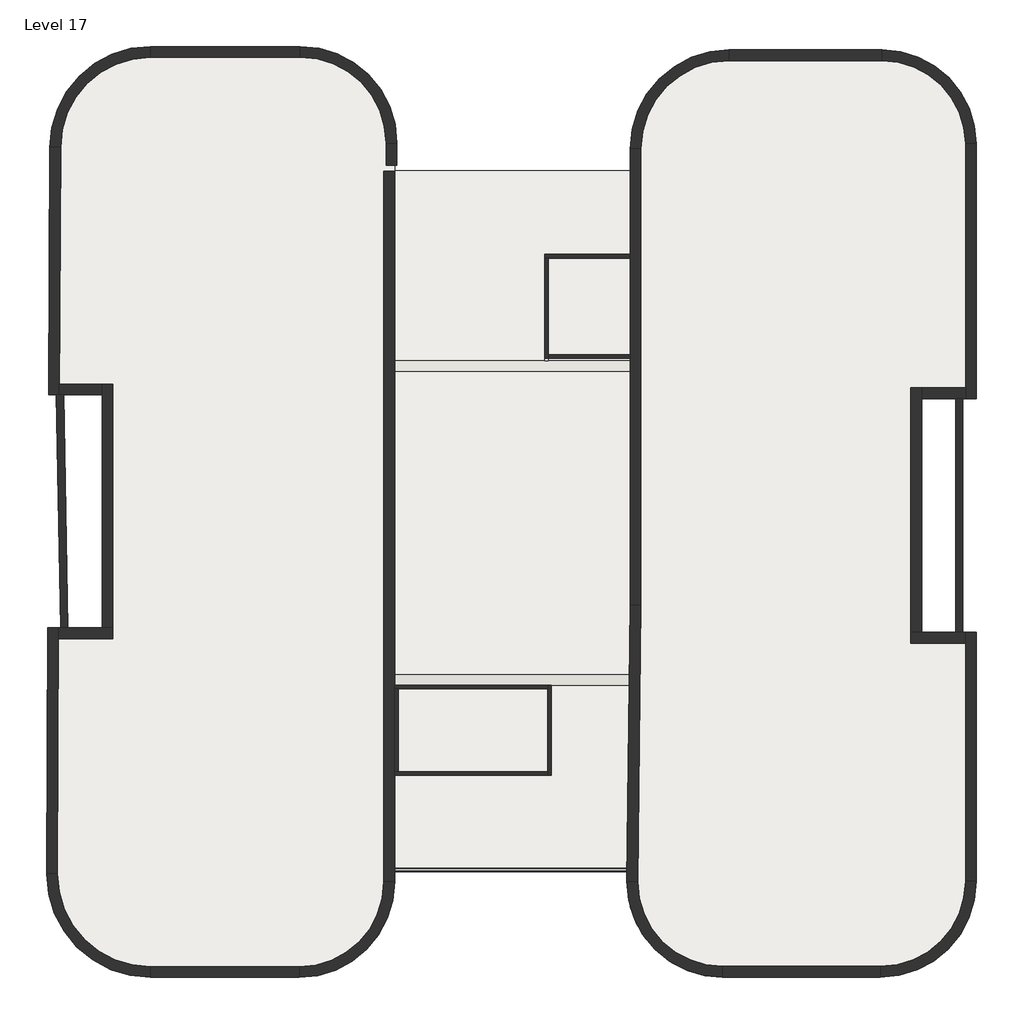
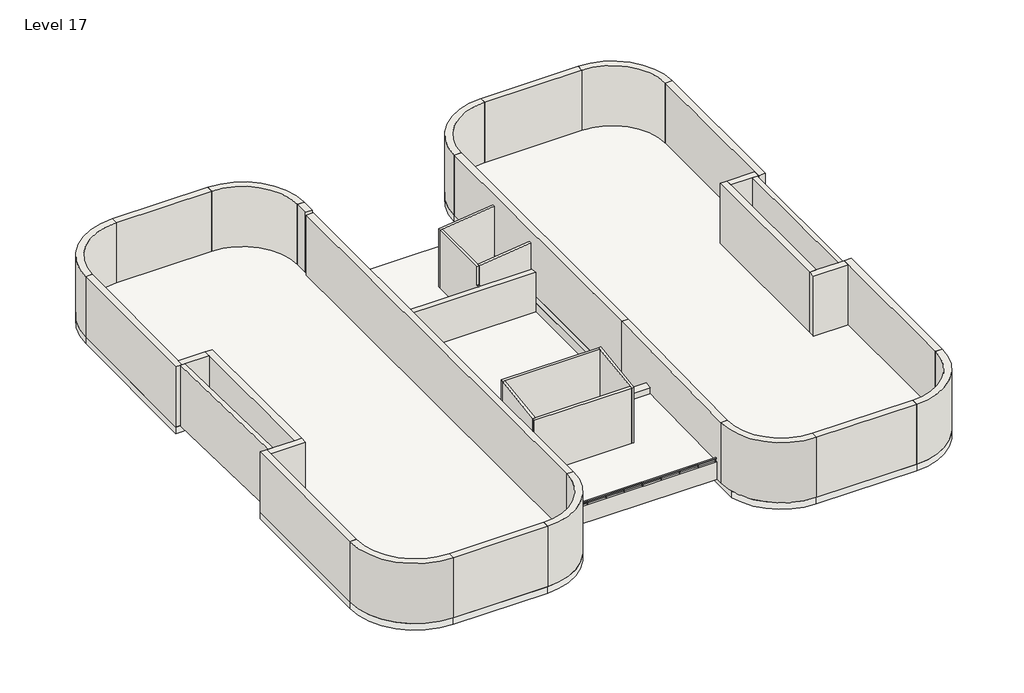
# One storey: 41 walls, 3 slabs, 1 railing.
"""IFC4 building model written with IfcOpenShell, lengths in millimetres."""

from ifc_helpers import new_model, si_unit, point, frame, frame_2d, origin, place, context, project, spatial, polyline, circle_curve, trimmed, segment, composite_curve, outline, extrude, faceted_brep, element, save

model = new_model("IFC4")

# Units and contexts
model_context = context("Model", 3, world=origin())
ifc_project = project(units=[si_unit("LENGTHUNIT", "METRE", prefix="MILLI")], contexts=[model_context])

# Site, building, storey
site = spatial("IfcSite", under=ifc_project)
building = spatial("IfcBuilding", under=site)
storey = spatial("IfcBuildingStorey", under=building, Name="Level 17", Elevation=47550.0)

# Railing
placement = place(None, origin())
element("IfcRailing", 1, at=placement, inside=storey, context=model_context, shape_type="SweptSolid", body=[
    extrude(outline(composite_curve([segment(trimmed(circle_curve(frame_2d((-9669.1475426, 48500.0)), 25.0), [point((-9694.1475426, 48500.0))], [point((-9644.1475426, 48500.0))], False, "CARTESIAN"), True, "CONTINUOUS"), segment(trimmed(circle_curve(frame_2d((-9669.1475426, 48500.0)), 25.0), [point((-9644.1475426, 48500.0))], [point((-9694.1475426, 48500.0))], False, "CARTESIAN"), True, "CONTINUOUS")], self_intersect=False)), frame((-3123.3130583, 0.0, 0.0), z_axis=(1.0, 0.0, 0.0), x_axis=(0.0, 1.0, 0.0)), (0.0, 0.0, 1.0), 6485.0),
    extrude(outline(composite_curve([segment(trimmed(circle_curve(frame_2d((2551.0619417, -9669.1475426)), 10.0), [point((2551.0619417, -9659.1475426))], [point((2551.0619417, -9679.1475426))], False, "CARTESIAN"), True, "CONTINUOUS"), segment(trimmed(circle_curve(frame_2d((2551.0619417, -9669.1475426)), 10.0), [point((2551.0619417, -9679.1475426))], [point((2551.0619417, -9659.1475426))], False, "CARTESIAN"), True, "CONTINUOUS")], self_intersect=False)), frame((0.0, 0.0, 48350.0), z_axis=(0.0, 0.0, 1.0), x_axis=(1.0, 0.0, 0.0)), (0.0, 0.0, 1.0), 125.0),
    extrude(outline(composite_curve([segment(trimmed(circle_curve(frame_2d((1740.4369417, -9669.1475426)), 10.0), [point((1740.4369417, -9659.1475426))], [point((1740.4369417, -9679.1475426))], False, "CARTESIAN"), True, "CONTINUOUS"), segment(trimmed(circle_curve(frame_2d((1740.4369417, -9669.1475426)), 10.0), [point((1740.4369417, -9679.1475426))], [point((1740.4369417, -9659.1475426))], False, "CARTESIAN"), True, "CONTINUOUS")], self_intersect=False)), frame((0.0, 0.0, 48350.0), z_axis=(0.0, 0.0, 1.0), x_axis=(1.0, 0.0, 0.0)), (0.0, 0.0, 1.0), 125.0),
    extrude(outline(composite_curve([segment(trimmed(circle_curve(frame_2d((929.8119417, -9669.1475426)), 10.0), [point((929.8119417, -9659.1475426))], [point((929.8119417, -9679.1475426))], False, "CARTESIAN"), True, "CONTINUOUS"), segment(trimmed(circle_curve(frame_2d((929.8119417, -9669.1475426)), 10.0), [point((929.8119417, -9679.1475426))], [point((929.8119417, -9659.1475426))], False, "CARTESIAN"), True, "CONTINUOUS")], self_intersect=False)), frame((0.0, 0.0, 48350.0), z_axis=(0.0, 0.0, 1.0), x_axis=(1.0, 0.0, 0.0)), (0.0, 0.0, 1.0), 125.0),
    extrude(outline(composite_curve([segment(trimmed(circle_curve(frame_2d((119.1869417, -9669.1475426)), 10.0), [point((119.1869417, -9659.1475426))], [point((119.1869417, -9679.1475426))], False, "CARTESIAN"), True, "CONTINUOUS"), segment(trimmed(circle_curve(frame_2d((119.1869417, -9669.1475426)), 10.0), [point((119.1869417, -9679.1475426))], [point((119.1869417, -9659.1475426))], False, "CARTESIAN"), True, "CONTINUOUS")], self_intersect=False)), frame((0.0, 0.0, 48350.0), z_axis=(0.0, 0.0, 1.0), x_axis=(1.0, 0.0, 0.0)), (0.0, 0.0, 1.0), 125.0),
    extrude(outline(composite_curve([segment(trimmed(circle_curve(frame_2d((-691.4380583, -9669.1475426)), 10.0), [point((-691.4380583, -9659.1475426))], [point((-691.4380583, -9679.1475426))], False, "CARTESIAN"), True, "CONTINUOUS"), segment(trimmed(circle_curve(frame_2d((-691.4380583, -9669.1475426)), 10.0), [point((-691.4380583, -9679.1475426))], [point((-691.4380583, -9659.1475426))], False, "CARTESIAN"), True, "CONTINUOUS")], self_intersect=False)), frame((0.0, 0.0, 48350.0), z_axis=(0.0, 0.0, 1.0), x_axis=(1.0, 0.0, 0.0)), (0.0, 0.0, 1.0), 125.0),
    extrude(outline(composite_curve([segment(trimmed(circle_curve(frame_2d((-1502.0630583, -9669.1475426)), 10.0), [point((-1502.0630583, -9659.1475426))], [point((-1502.0630583, -9679.1475426))], False, "CARTESIAN"), True, "CONTINUOUS"), segment(trimmed(circle_curve(frame_2d((-1502.0630583, -9669.1475426)), 10.0), [point((-1502.0630583, -9679.1475426))], [point((-1502.0630583, -9659.1475426))], False, "CARTESIAN"), True, "CONTINUOUS")], self_intersect=False)), frame((0.0, 0.0, 48350.0), z_axis=(0.0, 0.0, 1.0), x_axis=(1.0, 0.0, 0.0)), (0.0, 0.0, 1.0), 125.0),
    extrude(outline(composite_curve([segment(trimmed(circle_curve(frame_2d((-2312.6880583, -9669.1475426)), 10.0), [point((-2312.6880583, -9659.1475426))], [point((-2312.6880583, -9679.1475426))], False, "CARTESIAN"), True, "CONTINUOUS"), segment(trimmed(circle_curve(frame_2d((-2312.6880583, -9669.1475426)), 10.0), [point((-2312.6880583, -9679.1475426))], [point((-2312.6880583, -9659.1475426))], False, "CARTESIAN"), True, "CONTINUOUS")], self_intersect=False)), frame((0.0, 0.0, 48350.0), z_axis=(0.0, 0.0, 1.0), x_axis=(1.0, 0.0, 0.0)), (0.0, 0.0, 1.0), 125.0),
    extrude(outline(composite_curve([segment(trimmed(circle_curve(frame_2d((3321.6869417, -9669.1475426)), 15.0), [point((3321.6869417, -9654.1475426))], [point((3321.6869417, -9684.1475426))], False, "CARTESIAN"), True, "CONTINUOUS"), segment(trimmed(circle_curve(frame_2d((3321.6869417, -9669.1475426)), 15.0), [point((3321.6869417, -9684.1475426))], [point((3321.6869417, -9654.1475426))], False, "CARTESIAN"), True, "CONTINUOUS")], self_intersect=False)), frame((0.0, 0.0, 48350.0), z_axis=(0.0, 0.0, 1.0), x_axis=(1.0, 0.0, 0.0)), (0.0, 0.0, 1.0), 125.0),
    extrude(outline(composite_curve([segment(trimmed(circle_curve(frame_2d((-3083.3130583, -9669.1475426)), 15.0), [point((-3083.3130583, -9654.1475426))], [point((-3083.3130583, -9684.1475426))], False, "CARTESIAN"), True, "CONTINUOUS"), segment(trimmed(circle_curve(frame_2d((-3083.3130583, -9669.1475426)), 15.0), [point((-3083.3130583, -9684.1475426))], [point((-3083.3130583, -9654.1475426))], False, "CARTESIAN"), True, "CONTINUOUS")], self_intersect=False)), frame((0.0, 0.0, 48350.0), z_axis=(0.0, 0.0, 1.0), x_axis=(1.0, 0.0, 0.0)), (0.0, 0.0, 1.0), 125.0),
])

# Slabs
element("IfcSlab", 2, ObjectType="Por defecto - 30 cm", at=placement, inside=storey, context=model_context, shape_type="SweptSolid", body=[
    extrude(outline(composite_curve([segment(polyline([(6211.8385929, 13223.9921771), (10492.8385929, 13223.9921771)]), True, "CONTINUOUS"), segment(trimmed(circle_curve(frame_2d((10492.8385929, 10597.9921771)), 2626.0), [point((10492.8385929, 13223.9921771))], [point((13118.8385929, 10597.9921771))], False, "CARTESIAN"), True, "CONTINUOUS"), segment(polyline([(13118.8385929, 10597.9921771), (13118.8385929, 3484.5921771), (11591.8385929, 3484.5921771), (11591.8385929, -3037.4078229), (13118.8385929, -3037.4078229), (13118.8385929, -9991.5816272)]), True, "CONTINUOUS"), segment(trimmed(circle_curve(frame_2d((10443.8385929, -9991.5816272)), 2675.0), [point((13118.8385929, -9991.5816272))], [point((10443.8385929, -12666.5816272))], False, "CARTESIAN"), True, "CONTINUOUS"), segment(polyline([(10443.8385929, -12666.5816272), (6032.6869417, -12666.5816272)]), True, "CONTINUOUS"), segment(trimmed(circle_curve(frame_2d((6032.6869417, -9995.5816272)), 2671.0), [point((6032.6869417, -12666.5816272))], [point((3455.8385929, -10698.4995365))], False, "CARTESIAN"), True, "CONTINUOUS"), segment(polyline([(3455.8385929, -10698.4995365), (3455.8385929, 10467.9921771)]), True, "CONTINUOUS"), segment(trimmed(circle_curve(frame_2d((6211.8385929, 10467.9921771)), 2756.0), [point((3455.8385929, 10467.9921771))], [point((6211.8385929, 13223.9921771))], False, "CARTESIAN"), True, "CONTINUOUS")], self_intersect=False)), frame((0.0, 0.0, 47250.0), z_axis=(0.0, 0.0, 1.0), x_axis=(1.0, 0.0, 0.0)), (0.0, 0.0, 1.0), 300.0),
    extrude(outline(composite_curve([segment(trimmed(circle_curve(frame_2d((-5790.3130583, -10007.8480376)), 2667.0), [point((-3123.3130583, -10007.8480376))], [point((-5790.3130583, -12674.8480376))], False, "CARTESIAN"), True, "CONTINUOUS"), segment(polyline([(-5790.3130583, -12674.8480376), (-9947.9423327, -12674.8480376)]), True, "CONTINUOUS"), segment(trimmed(circle_curve(frame_2d((-9947.9423327, -9780.8480376)), 2894.0), [point((-9947.9423327, -12674.8480376))], [point((-12841.9423113, -9781.1996622))], False, "CARTESIAN"), True, "CONTINUOUS"), segment(polyline([(-12841.9423113, -9781.1996622), (-12814.1941182, -2911.6269482), (-11291.9914485, -2911.6269482), (-11291.9914485, 3593.3730518), (-12781.7223076, 3593.3730518), (-12748.9661667, 10510.0816687)]), True, "CONTINUOUS"), segment(trimmed(circle_curve(frame_2d((-9939.9661667, 10510.0816687)), 2809.0), [point((-12748.9661667, 10510.0816687))], [point((-9939.9661667, 13319.0816687))], False, "CARTESIAN"), True, "CONTINUOUS"), segment(polyline([(-9939.9661667, 13319.0816687), (-5754.1614071, 13319.0816687)]), True, "CONTINUOUS"), segment(trimmed(circle_curve(frame_2d((-5754.1614071, 10624.0816687)), 2695.0), [point((-5754.1614071, 13319.0816687))], [point((-3123.3130583, 11208.6002446))], False, "CARTESIAN"), True, "CONTINUOUS"), segment(polyline([(-3123.3130583, 11208.6002446), (-3123.3130583, -9719.1475426), (-3123.3130583, -10007.8480376)]), True, "CONTINUOUS")], self_intersect=False)), frame((0.0, 0.0, 47250.0), z_axis=(0.0, 0.0, 1.0), x_axis=(1.0, 0.0, 0.0)), (0.0, 0.0, 1.0), 300.0),
])
element("IfcSlab", 3, ObjectType="Por defecto - 30 cm", at=placement, inside=storey, context=model_context, shape_type="SweptSolid", body=[
    extrude(outline(polyline([(3455.8385929, 9845.2896795), (3455.8385929, -4515.8480376), (-3123.3130583, -4515.8480376), (-3123.3130583, 9845.2896795), (3455.8385929, 9845.2896795)])), frame((0.0, 0.0, 46535.8855547), z_axis=(0.0, 0.0, 1.0), x_axis=(1.0, 0.0, 0.0)), (0.0, 0.0, 1.0), 300.0),
])
element("IfcSlab", 4, ObjectType="Por defecto - 30 cm", at=placement, inside=storey, context=model_context, shape_type="SweptSolid", body=[
    extrude(outline(polyline([(3428.5581066, -4515.8480376), (3366.2807026, -9619.1475426), (-3123.3130583, -9619.1475426), (-3123.3130583, -4515.8480376), (3428.5581066, -4515.8480376)])), frame((0.0, 0.0, 48050.0), z_axis=(0.0, 0.0, 1.0), x_axis=(1.0, 0.0, 0.0)), (0.0, 0.0, 1.0), 300.0),
])

# Walls
element("IfcWall", 5, ObjectType="Por defecto - 10 cm", at=placement, inside=storey, context=model_context, shape_type="SweptSolid", body=[
    extrude(outline(polyline([(3365.0603665, -9719.1475426), (-3123.3130583, -9719.1475426), (-3123.3130583, -9619.1475426), (3366.2807026, -9619.1475426), (3365.0603665, -9719.1475426)])), frame((0.0, 0.0, 47550.0), z_axis=(0.0, 0.0, 1.0), x_axis=(1.0, 0.0, 0.0)), (0.0, 0.0, 1.0), 800.0),
])
element("IfcWall", 6, ObjectType="Por defecto - 10 cm", at=placement, inside=storey, context=model_context, shape_type="Brep", body=[
    faceted_brep([(-3123.3130583, -4615.8480376, 46835.8855547), (-3123.3130583, -4515.8480376, 46835.8855547), (-3123.3130583, 9861.3377428, 46835.8855547), (-3123.3130583, 9861.3377428, 47250.0), (-3123.3130583, -4615.8480376, 47250.0), (-3223.3130583, -4615.8480376, 46835.8855547), (-3223.3130583, -4615.8480376, 47250.0), (-3223.3130583, 9861.3377428, 47250.0), (-3223.3130583, 9861.3377428, 46835.8855547)], [[[0, 1, 2, 3, 4]], [[5, 6, 7, 8]], [[2, 1, 0, 5, 8]], [[4, 3, 7, 6]], [[3, 2, 8, 7]], [[0, 4, 6, 5]]]),
])
element("IfcWall", 7, ObjectType="Por defecto - 10 cm", at=placement, inside=storey, context=model_context, shape_type="Brep", body=[
    faceted_brep([(3555.8385929, -4615.8480376, 46835.8855547), (3555.8385929, 9861.3377428, 46835.8855547), (3555.8385929, 9861.3377428, 47250.0), (3555.8385929, -4615.8480376, 47250.0), (3455.8385929, -4615.8480376, 46835.8855547), (3455.8385929, -4615.8480376, 47250.0), (3455.8385929, 9861.3377428, 47250.0), (3455.8385929, 9861.3377428, 46835.8855547), (3455.8385929, 4713.1519624, 46835.8855547), (3455.8385929, 4613.1519624, 46835.8855547), (3455.8385929, -4515.8480376, 46835.8855547)], [[[0, 1, 2, 3]], [[4, 5, 6, 7, 8, 9, 10]], [[1, 0, 4, 10, 9, 8, 7]], [[3, 2, 6, 5]], [[2, 1, 7, 6]], [[0, 3, 5, 4]]]),
])
element("IfcWall", 8, ObjectType="Por defecto - 10 cm", at=placement, inside=storey, context=model_context, shape_type="Brep", body=[
    faceted_brep([(3455.8385929, -4515.8480376, 46835.8855547), (-3123.3130583, -4515.8480376, 46835.8855547), (-3123.3130583, -4515.8480376, 48050.0), (3428.5581066, -4515.8480376, 48050.0), (3428.5581066, -4515.8480376, 47550.0), (3455.8385929, -4515.8480376, 47550.0), (3455.8385929, -4615.8480376, 46835.8855547), (3455.8385929, -4615.8480376, 47250.0), (3455.8385929, -4615.8480376, 47550.0), (3427.3377705, -4615.8480376, 47550.0), (3427.3377705, -4615.8480376, 48050.0), (-3123.3130583, -4615.8480376, 48050.0), (-3123.3130583, -4615.8480376, 47250.0), (-3123.3130583, -4615.8480376, 46835.8855547)], [[[0, 1, 2, 3, 4, 5]], [[6, 7, 8, 9, 10, 11, 12, 13]], [[1, 0, 6, 13]], [[3, 2, 11, 10]], [[2, 1, 13, 12, 11]], [[4, 9, 8, 5]], [[0, 5, 8, 7, 6]], [[4, 3, 10, 9]]]),
])
element("IfcWall", 9, ObjectType="Por defecto - 10 cm", at=placement, inside=storey, context=model_context, shape_type="Brep", body=[
    faceted_brep([(3455.8385929, 7514.3377428, 46835.8855547), (1065.8385929, 7514.3377428, 46835.8855547), (1065.8385929, 7514.3377428, 49543.6599638), (3455.8385929, 7514.3377428, 49826.5839543), (3455.8385929, 7414.3377428, 46835.8855547), (3455.8385929, 7414.3377428, 49826.5839543), (1165.8385929, 7414.3377428, 49555.4977877), (1065.8385929, 7414.3377428, 49543.6599638), (1065.8385929, 7414.3377428, 46835.8855547), (1165.8385929, 7414.3377428, 46835.8855547)], [[[0, 1, 2, 3]], [[4, 5, 6, 7, 8, 9]], [[1, 0, 4, 9, 8]], [[0, 3, 5, 4]], [[2, 1, 8, 7]], [[3, 2, 7, 6, 5]]]),
])
element("IfcWall", 10, ObjectType="Por defecto - 10 cm", at=placement, inside=storey, context=model_context, shape_type="Brep", body=[
    faceted_brep([(1065.8385929, 7414.3377428, 46835.8855547), (1065.8385929, 4546.1519624, 46835.8855547), (1065.8385929, 4546.1519624, 48693.698812), (1065.8385929, 4613.1519624, 48693.698812), (1065.8385929, 4613.1519624, 49543.6599638), (1065.8385929, 7414.3377428, 49543.6599638), (1165.8385929, 7414.3377428, 46835.8855547), (1165.8385929, 7414.3377428, 49555.4977877), (1165.8385929, 4713.1519624, 49555.4977877), (1165.8385929, 4613.1519624, 49555.4977877), (1165.8385929, 4613.1519624, 48693.698812), (1165.8385929, 4546.1519624, 48693.698812), (1165.8385929, 4546.1519624, 46835.8855547), (1165.8385929, 4613.1519624, 46835.8855547), (1165.8385929, 4713.1519624, 46835.8855547)], [[[0, 1, 2, 3, 4, 5]], [[6, 7, 8, 9, 10, 11, 12, 13, 14]], [[1, 0, 6, 14, 13, 12]], [[0, 5, 7, 6]], [[5, 4, 9, 8, 7]], [[10, 3, 2, 11]], [[2, 1, 12, 11]], [[4, 3, 10, 9]]]),
])
element("IfcWall", 11, ObjectType="Por defecto - 10 cm", at=placement, inside=storey, context=model_context, shape_type="Brep", body=[
    faceted_brep([(1165.8385929, 4613.1519624, 46835.8855547), (3455.8385929, 4613.1519624, 46835.8855547), (3455.8385929, 4613.1519624, 49826.5839543), (1165.8385929, 4613.1519624, 49555.4977877), (1165.8385929, 4613.1519624, 48693.698812), (1165.8385929, 4713.1519624, 46835.8855547), (1165.8385929, 4713.1519624, 49555.4977877), (3455.8385929, 4713.1519624, 49826.5839543), (3455.8385929, 4713.1519624, 46835.8855547)], [[[0, 1, 2, 3, 4]], [[5, 6, 7, 8]], [[1, 0, 5, 8]], [[1, 8, 7, 2]], [[0, 4, 3, 6, 5]], [[3, 2, 7, 6]]]),
])
element("IfcWall", 12, ObjectType="Por defecto - 10 cm", at=placement, inside=storey, context=model_context, shape_type="Brep", body=[
    faceted_brep([(1157.8385929, -4515.8480376, 48350.0), (1157.8385929, -4615.8480376, 48350.0), (1157.8385929, -6926.8480376, 48350.0), (1157.8385929, -7026.8480376, 48350.0), (1157.8385929, -7026.8480376, 50926.2438865), (1157.8385929, -6926.8480376, 50940.4724671), (1157.8385929, -4615.8480376, 51269.2949656), (1157.8385929, -4515.8480376, 51283.5235463), (1257.8385929, -4515.8480376, 48350.0), (1257.8385929, -4515.8480376, 51283.5235463), (1257.8385929, -7026.8480376, 50926.2438865), (1257.8385929, -7026.8480376, 48350.0)], [[[0, 1, 2, 3, 4, 5, 6, 7]], [[8, 9, 10, 11]], [[3, 2, 1, 0, 8, 11]], [[0, 7, 9, 8]], [[4, 3, 11, 10]], [[7, 6, 5, 4, 10, 9]]]),
])
element("IfcWall", 13, ObjectType="Por defecto - 10 cm", at=placement, inside=storey, context=model_context, shape_type="Brep", body=[
    faceted_brep([(1157.8385929, -6926.8480376, 48350.0), (-3023.3130583, -6926.8480376, 48350.0), (-3123.3130583, -6926.8480376, 48350.0), (-3123.3130583, -6926.8480376, 50940.4724671), (-3023.3130583, -6926.8480376, 50940.4724671), (1157.8385929, -6926.8480376, 50940.4724671), (1157.8385929, -7026.8480376, 48350.0), (1157.8385929, -7026.8480376, 50926.2438865), (-3123.3130583, -7026.8480376, 50926.2438865), (-3123.3130583, -7026.8480376, 48350.0)], [[[0, 1, 2, 3, 4, 5]], [[6, 7, 8, 9]], [[2, 1, 0, 6, 9]], [[0, 5, 7, 6]], [[3, 2, 9, 8]], [[5, 4, 3, 8, 7]]]),
])
element("IfcWall", 14, ObjectType="Por defecto - 10 cm", at=placement, inside=storey, context=model_context, shape_type="Brep", body=[
    faceted_brep([(1157.8385929, -4515.8480376, 48350.0), (-3123.3130583, -4515.8480376, 48350.0), (-3123.3130583, -4515.8480376, 51283.5235463), (1157.8385929, -4515.8480376, 51283.5235463), (1157.8385929, -4615.8480376, 48350.0), (1157.8385929, -4615.8480376, 51269.2949656), (-3023.3130583, -4615.8480376, 51269.2949656), (-3123.3130583, -4615.8480376, 51269.2949656), (-3123.3130583, -4615.8480376, 48350.0), (-3023.3130583, -4615.8480376, 48350.0)], [[[0, 1, 2, 3]], [[4, 5, 6, 7, 8, 9]], [[1, 0, 4, 9, 8]], [[2, 1, 8, 7]], [[0, 3, 5, 4]], [[3, 2, 7, 6, 5]]]),
])
element("IfcWall", 15, ObjectType="Por defecto - 10 cm", at=placement, inside=storey, context=model_context, shape_type="SweptSolid", body=[
    extrude(outline(polyline([(-6926.8480376, 48350.0), (-6926.8480376, 50940.4724671), (-4615.8480376, 51269.2949656), (-4615.8480376, 48350.0), (-6926.8480376, 48350.0)])), frame((-3123.3130583, 0.0, 0.0), z_axis=(1.0, 0.0, 0.0), x_axis=(0.0, 1.0, 0.0)), (0.0, 0.0, 1.0), 100.0),
])
element("IfcWall", 16, ObjectType="Por defecto - 20 cm", at=placement, inside=storey, context=model_context, shape_type="Brep", body=[
    faceted_brep([(-12250.9609829, -2911.6269482, 47550.0), (-12364.5061803, 3593.3730518, 47550.0), (-12364.5061803, 3593.3730518, 50350.0), (-12250.9609829, -2911.6269482, 50350.0), (-12450.9914485, -2911.6269482, 47550.0), (-12450.9914485, -2911.6269482, 50350.0), (-12564.5366459, 3593.3730518, 50350.0), (-12564.5366459, 3593.3730518, 47550.0), (-12481.7189434, 3593.3730518, 47550.0), (-12481.7189434, 3593.3730518, 50350.0)], [[[0, 1, 2, 3]], [[4, 5, 6, 7]], [[1, 0, 4, 7, 8]], [[3, 2, 9, 6, 5]], [[0, 3, 5, 4]], [[2, 1, 8, 7, 6, 9]]]),
])
element("IfcWall", 17, ObjectType="Por defecto - 20 cm", at=placement, inside=storey, context=model_context, shape_type="SweptSolid", body=[
    extrude(outline(polyline([(12746.8385929, 3484.5921771), (12746.8385929, -3037.4078229), (12546.8385929, -3037.4078229), (12546.8385929, 3484.5921771), (12746.8385929, 3484.5921771)])), frame((0.0, 0.0, 47550.0), z_axis=(0.0, 0.0, 1.0), x_axis=(1.0, 0.0, 0.0)), (0.0, 0.0, 1.0), 2800.0),
])
element("IfcWall", 18, ObjectType="Por defecto - 30 cm", at=placement, inside=storey, context=model_context, shape_type="Brep", body=[
    faceted_brep([(-9939.9661667, 13019.0816687, 47550.0), (-5754.1614071, 13019.0816687, 47550.0), (-5754.1614071, 13019.0816687, 48343.2675755), (-5754.1614071, 13019.0816687, 49932.4904288), (-5754.1614071, 13019.0816687, 50350.0), (-9939.9661667, 13019.0816687, 50350.0), (-9939.9661667, 13019.0816687, 49882.4904288), (-9939.9661667, 13019.0816687, 48343.2675755), (-9939.9661667, 13319.0816687, 47550.0), (-9939.9661667, 13319.0816687, 48343.2675755), (-9939.9661667, 13319.0816687, 49882.4904288), (-9939.9661667, 13319.0816687, 50350.0), (-5754.1614071, 13319.0816687, 50350.0), (-5754.1614071, 13319.0816687, 49932.4904288), (-5754.1614071, 13319.0816687, 48343.2675755), (-5754.1614071, 13319.0816687, 47550.0)], [[[0, 1, 2, 3, 4, 5, 6, 7]], [[8, 9, 10, 11, 12, 13, 14, 15]], [[1, 0, 8, 15]], [[4, 3, 2, 1, 15, 14, 13, 12]], [[5, 4, 12, 11]], [[0, 7, 6, 5, 11, 10, 9, 8]]]),
])
element("IfcWall", 19, ObjectType="Por defecto - 30 cm", at=placement, inside=storey, context=model_context, shape_type="SweptSolid", body=[
    extrude(outline(composite_curve([segment(polyline([(-12448.9660718, 10509.3913553), (-12748.9661667, 10510.0816687)]), True, "CONTINUOUS"), segment(trimmed(circle_curve(frame_2d((-9939.9661667, 10510.0816687)), 2809.0), [point((-12748.9661667, 10510.0816687))], [point((-9939.9661667, 13319.0816687))], False, "CARTESIAN"), True, "CONTINUOUS"), segment(polyline([(-9939.9661667, 13319.0816687), (-9939.9661667, 13019.0816687)]), True, "CONTINUOUS"), segment(trimmed(circle_curve(frame_2d((-9939.9661667, 10510.0816687)), 2509.0), [point((-9939.9661667, 13019.0816687))], [point((-12448.9660718, 10509.3913553))], True, "CARTESIAN"), True, "CONTINUOUS")], self_intersect=False)), frame((0.0, 0.0, 47550.0), z_axis=(0.0, 0.0, 1.0), x_axis=(1.0, 0.0, 0.0)), (0.0, 0.0, 1.0), 2800.0),
])
element("IfcWall", 20, ObjectType="Por defecto - 30 cm", at=placement, inside=storey, context=model_context, shape_type="SweptSolid", body=[
    extrude(outline(composite_curve([segment(polyline([(-3059.1614071, 10624.0816687), (-3359.1614071, 10624.0816687)]), True, "CONTINUOUS"), segment(trimmed(circle_curve(frame_2d((-5754.1614071, 10624.0816687)), 2395.0), [point((-3359.1614071, 10624.0816687))], [point((-5754.1614071, 13019.0816687))], True, "CARTESIAN"), True, "CONTINUOUS"), segment(polyline([(-5754.1614071, 13019.0816687), (-5754.1614071, 13319.0816687)]), True, "CONTINUOUS"), segment(trimmed(circle_curve(frame_2d((-5754.1614071, 10624.0816687)), 2695.0), [point((-5754.1614071, 13319.0816687))], [point((-3059.1614071, 10624.0816687))], False, "CARTESIAN"), True, "CONTINUOUS")], self_intersect=False)), frame((0.0, 0.0, 47550.0), z_axis=(0.0, 0.0, 1.0), x_axis=(1.0, 0.0, 0.0)), (0.0, 0.0, 1.0), 2800.0),
])
element("IfcWall", 21, ObjectType="Por defecto - 30 cm", at=placement, inside=storey, context=model_context, shape_type="SweptSolid", body=[
    extrude(outline(polyline([(-3359.1614071, 10011.3377428), (-3359.1614071, 10624.0816687), (-3059.1614071, 10624.0816687), (-3059.1614071, 10011.3377428), (-3359.1614071, 10011.3377428)])), frame((0.0, 0.0, 47550.0), z_axis=(0.0, 0.0, 1.0), x_axis=(1.0, 0.0, 0.0)), (0.0, 0.0, 1.0), 2800.0),
])
element("IfcWall", 22, ObjectType="Por defecto - 30 cm", at=placement, inside=storey, context=model_context, shape_type="SweptSolid", body=[
    extrude(outline(polyline([(6211.8385929, 13223.9921771), (10492.8385929, 13223.9921771), (10492.8385929, 12923.9921771), (6211.8385929, 12923.9921771), (6211.8385929, 13223.9921771)])), frame((0.0, 0.0, 47550.0), z_axis=(0.0, 0.0, 1.0), x_axis=(1.0, 0.0, 0.0)), (0.0, 0.0, 1.0), 2800.0),
])
element("IfcWall", 23, ObjectType="Por defecto - 30 cm", at=placement, inside=storey, context=model_context, shape_type="SweptSolid", body=[
    extrude(outline(polyline([(3755.8385929, 10467.9921771), (3755.8385929, -2282.1888202), (3455.8385929, -2280.3583842), (3455.8385929, 10467.9921771), (3755.8385929, 10467.9921771)])), frame((0.0, 0.0, 47550.0), z_axis=(0.0, 0.0, 1.0), x_axis=(1.0, 0.0, 0.0)), (0.0, 0.0, 1.0), 2800.0),
])
element("IfcWall", 24, ObjectType="Por defecto - 30 cm", at=placement, inside=storey, context=model_context, shape_type="SweptSolid", body=[
    extrude(outline(composite_curve([segment(polyline([(3755.8385929, 10467.9921771), (3455.8385929, 10467.9921771)]), True, "CONTINUOUS"), segment(trimmed(circle_curve(frame_2d((6211.8385929, 10467.9921771)), 2756.0), [point((3455.8385929, 10467.9921771))], [point((6211.8385929, 13223.9921771))], False, "CARTESIAN"), True, "CONTINUOUS"), segment(polyline([(6211.8385929, 13223.9921771), (6211.8385929, 12923.9921771)]), True, "CONTINUOUS"), segment(trimmed(circle_curve(frame_2d((6211.8385929, 10467.9921771)), 2456.0), [point((6211.8385929, 12923.9921771))], [point((3755.8385929, 10467.9921771))], True, "CARTESIAN"), True, "CONTINUOUS")], self_intersect=False)), frame((0.0, 0.0, 47550.0), z_axis=(0.0, 0.0, 1.0), x_axis=(1.0, 0.0, 0.0)), (0.0, 0.0, 1.0), 2800.0),
])
element("IfcWall", 25, ObjectType="Por defecto - 30 cm", at=placement, inside=storey, context=model_context, shape_type="Brep", body=[
    faceted_brep([(12818.8385929, 10597.9921771, 47550.0), (12818.8385929, 3784.5921771, 47550.0), (12818.8385929, 3484.5921771, 47550.0), (12818.8385929, 3484.5921771, 50350.0), (12818.8385929, 3784.5921771, 50350.0), (12818.8385929, 10597.9921771, 50350.0), (13118.8385929, 10597.9921771, 47550.0), (13118.8385929, 10597.9921771, 50350.0), (13118.8385929, 3484.5921771, 50350.0), (13118.8385929, 3484.5921771, 47550.0)], [[[0, 1, 2, 3, 4, 5]], [[6, 7, 8, 9]], [[2, 1, 0, 6, 9]], [[5, 4, 3, 8, 7]], [[0, 5, 7, 6]], [[3, 2, 9, 8]]]),
])
element("IfcWall", 26, ObjectType="Por defecto - 30 cm", at=placement, inside=storey, context=model_context, shape_type="SweptSolid", body=[
    extrude(outline(composite_curve([segment(polyline([(13118.8385929, 10597.9921771), (12818.8385929, 10597.9921771)]), True, "CONTINUOUS"), segment(trimmed(circle_curve(frame_2d((10492.8385929, 10597.9921771)), 2326.0), [point((12818.8385929, 10597.9921771))], [point((10492.8385929, 12923.9921771))], True, "CARTESIAN"), True, "CONTINUOUS"), segment(polyline([(10492.8385929, 12923.9921771), (10492.8385929, 13223.9921771)]), True, "CONTINUOUS"), segment(trimmed(circle_curve(frame_2d((10492.8385929, 10597.9921771)), 2626.0), [point((10492.8385929, 13223.9921771))], [point((13118.8385929, 10597.9921771))], False, "CARTESIAN"), True, "CONTINUOUS")], self_intersect=False)), frame((0.0, 0.0, 47550.0), z_axis=(0.0, 0.0, 1.0), x_axis=(1.0, 0.0, 0.0)), (0.0, 0.0, 1.0), 2800.0),
])
element("IfcWall", 27, ObjectType="Por defecto - 30 cm", at=placement, inside=storey, context=model_context, shape_type="SweptSolid", body=[
    extrude(outline(polyline([(10443.8385929, -12666.5816272), (6032.6869417, -12666.5816272), (6032.6869417, -12366.5816272), (10443.8385929, -12366.5816272), (10443.8385929, -12666.5816272)])), frame((0.0, 0.0, 47550.0), z_axis=(0.0, 0.0, 1.0), x_axis=(1.0, 0.0, 0.0)), (0.0, 0.0, 1.0), 2800.0),
])
element("IfcWall", 28, ObjectType="Por defecto - 30 cm", at=placement, inside=storey, context=model_context, shape_type="SweptSolid", body=[
    extrude(outline(composite_curve([segment(polyline([(10443.8385929, -12666.5816272), (10443.8385929, -12366.5816272)]), True, "CONTINUOUS"), segment(trimmed(circle_curve(frame_2d((10443.8385929, -9991.5816272)), 2375.0), [point((10443.8385929, -12366.5816272))], [point((12818.8385929, -9991.5816272))], True, "CARTESIAN"), True, "CONTINUOUS"), segment(polyline([(12818.8385929, -9991.5816272), (13118.8385929, -9991.5816272)]), True, "CONTINUOUS"), segment(trimmed(circle_curve(frame_2d((10443.8385929, -9991.5816272)), 2675.0), [point((13118.8385929, -9991.5816272))], [point((10443.8385929, -12666.5816272))], False, "CARTESIAN"), True, "CONTINUOUS")], self_intersect=False)), frame((0.0, 0.0, 47550.0), z_axis=(0.0, 0.0, 1.0), x_axis=(1.0, 0.0, 0.0)), (0.0, 0.0, 1.0), 2800.0),
])
element("IfcWall", 29, ObjectType="Por defecto - 30 cm", at=placement, inside=storey, context=model_context, shape_type="Brep", body=[
    faceted_brep([(3455.8385929, -2280.3583842, 47550.0), (3428.5581066, -4515.8480376, 47550.0), (3427.3377705, -4615.8480376, 47550.0), (3366.2807026, -9619.1475426, 47550.0), (3365.0603665, -9719.1475426, 47550.0), (3361.6869417, -9995.5816272, 47550.0), (3361.6869417, -9995.5816272, 50350.0), (3455.8385929, -2280.3583842, 50350.0), (3755.8385929, -2282.1888202, 47550.0), (3755.8385929, -2282.1888202, 50350.0), (3661.6876068, -9997.3575611, 50350.0), (3661.6876068, -9997.3575611, 47550.0)], [[[0, 1, 2, 3, 4, 5, 6, 7]], [[8, 9, 10, 11]], [[5, 4, 3, 2, 1, 0, 8, 11]], [[7, 6, 10, 9]], [[6, 5, 11, 10]], [[0, 7, 9, 8]]]),
])
element("IfcWall", 30, ObjectType="Por defecto - 30 cm", at=placement, inside=storey, context=model_context, shape_type="SweptSolid", body=[
    extrude(outline(composite_curve([segment(polyline([(6032.6869417, -12366.5816272), (6032.6869417, -12666.5816272)]), True, "CONTINUOUS"), segment(trimmed(circle_curve(frame_2d((6032.6869417, -9995.5816272)), 2671.0), [point((6032.6869417, -12666.5816272))], [point((3361.6869417, -9995.5816272))], False, "CARTESIAN"), True, "CONTINUOUS"), segment(polyline([(3361.6869417, -9995.5816272), (3661.6876068, -9997.3575611)]), True, "CONTINUOUS"), segment(trimmed(circle_curve(frame_2d((6032.6869417, -9995.5816272)), 2371.0), [point((3661.6876068, -9997.3575611))], [point((6032.6869417, -12366.5816272))], True, "CARTESIAN"), True, "CONTINUOUS")], self_intersect=False)), frame((0.0, 0.0, 47550.0), z_axis=(0.0, 0.0, 1.0), x_axis=(1.0, 0.0, 0.0)), (0.0, 0.0, 1.0), 2800.0),
])
element("IfcWall", 31, ObjectType="Por defecto - 30 cm", at=placement, inside=storey, context=model_context, shape_type="Brep", body=[
    faceted_brep([(-9947.9423327, -12674.8480376, 47550.0), (-5790.3130583, -12674.8480376, 47550.0), (-5790.3130583, -12674.8480376, 48450.0), (-5790.3130583, -12674.8480376, 50044.4303161), (-5790.3130583, -12674.8480376, 50350.0), (-9947.9423327, -12674.8480376, 50350.0), (-9947.9423327, -12374.8480376, 47550.0), (-9947.9423327, -12374.8480376, 50350.0), (-5790.3130583, -12374.8480376, 50350.0), (-5790.3130583, -12374.8480376, 50044.4303161), (-5790.3130583, -12374.8480376, 48450.0), (-5790.3130583, -12374.8480376, 47550.0)], [[[0, 1, 2, 3, 4, 5]], [[6, 7, 8, 9, 10, 11]], [[1, 0, 6, 11]], [[4, 3, 2, 1, 11, 10, 9, 8]], [[5, 4, 8, 7]], [[0, 5, 7, 6]]]),
])
element("IfcWall", 32, ObjectType="Por defecto - 30 cm", at=placement, inside=storey, context=model_context, shape_type="Brep", body=[
    faceted_brep([(-3423.3130583, 9841.1519624, 47550.0), (-3423.3130583, -10007.8480376, 47550.0), (-3423.3130583, -10007.8480376, 50350.0), (-3423.3130583, 9841.1519624, 50350.0), (-3123.3130583, 9841.1519624, 47550.0), (-3123.3130583, 9841.1519624, 50350.0), (-3123.3130583, -10007.8480376, 50350.0), (-3123.3130583, -10007.8480376, 47550.0), (-3123.3130583, -9719.1475426, 47550.0), (-3123.3130583, -9619.1475426, 47550.0)], [[[0, 1, 2, 3]], [[4, 5, 6, 7, 8, 9]], [[1, 0, 4, 9, 8, 7]], [[2, 1, 7, 6]], [[3, 2, 6, 5]], [[0, 3, 5, 4]]]),
])
element("IfcWall", 33, ObjectType="Por defecto - 30 cm", at=placement, inside=storey, context=model_context, shape_type="SweptSolid", body=[
    extrude(outline(composite_curve([segment(polyline([(-3423.3130583, -10007.8480376), (-3123.3130583, -10007.8480376)]), True, "CONTINUOUS"), segment(trimmed(circle_curve(frame_2d((-5790.3130583, -10007.8480376)), 2667.0), [point((-3123.3130583, -10007.8480376))], [point((-5790.3130583, -12674.8480376))], False, "CARTESIAN"), True, "CONTINUOUS"), segment(polyline([(-5790.3130583, -12674.8480376), (-5790.3130583, -12374.8480376)]), True, "CONTINUOUS"), segment(trimmed(circle_curve(frame_2d((-5790.3130583, -10007.8480376)), 2367.0), [point((-5790.3130583, -12374.8480376))], [point((-3423.3130583, -10007.8480376))], True, "CARTESIAN"), True, "CONTINUOUS")], self_intersect=False)), frame((0.0, 0.0, 47550.0), z_axis=(0.0, 0.0, 1.0), x_axis=(1.0, 0.0, 0.0)), (0.0, 0.0, 1.0), 2800.0),
])
element("IfcWall", 34, ObjectType="Por defecto - 30 cm", at=placement, inside=storey, context=model_context, shape_type="Brep", body=[
    faceted_brep([(-12541.9421688, -9781.7702568, 47550.0), (-12515.4034577, -3211.6269482, 47550.0), (-12514.1916708, -2911.6269482, 47550.0), (-12514.1916708, -2911.6269482, 50350.0), (-12515.4034577, -3211.6269482, 50350.0), (-12541.9421688, -9781.7702568, 50350.0), (-12841.9423113, -9781.1996622, 47550.0), (-12841.9423113, -9781.1996622, 50350.0), (-12814.1941182, -2911.6269482, 50350.0), (-12814.1941182, -2911.6269482, 47550.0)], [[[0, 1, 2, 3, 4, 5]], [[6, 7, 8, 9]], [[2, 1, 0, 6, 9]], [[5, 4, 3, 8, 7]], [[3, 2, 9, 8]], [[0, 5, 7, 6]]]),
])
element("IfcWall", 35, ObjectType="Por defecto - 30 cm", at=placement, inside=storey, context=model_context, shape_type="SweptSolid", body=[
    extrude(outline(composite_curve([segment(polyline([(-9947.9423327, -12374.8480376), (-9947.9423327, -12674.8480376)]), True, "CONTINUOUS"), segment(trimmed(circle_curve(frame_2d((-9947.9423327, -9780.8480376)), 2894.0), [point((-9947.9423327, -12674.8480376))], [point((-12841.9423113, -9781.1996622))], False, "CARTESIAN"), True, "CONTINUOUS"), segment(polyline([(-12841.9423113, -9781.1996622), (-12541.9421688, -9781.7702568)]), True, "CONTINUOUS"), segment(trimmed(circle_curve(frame_2d((-9947.9423327, -9780.8480376)), 2594.0), [point((-12541.9421688, -9781.7702568))], [point((-9947.9423327, -12374.8480376))], True, "CARTESIAN"), True, "CONTINUOUS")], self_intersect=False)), frame((0.0, 0.0, 47550.0), z_axis=(0.0, 0.0, 1.0), x_axis=(1.0, 0.0, 0.0)), (0.0, 0.0, 1.0), 2800.0),
])
element("IfcWall", 36, ObjectType="Por defecto - 30 cm", at=placement, inside=storey, context=model_context, shape_type="Brep", body=[
    faceted_brep([(12818.8385929, -3037.4078229, 47550.0), (12818.8385929, -3337.4078229, 47550.0), (12818.8385929, -9991.5816272, 47550.0), (12818.8385929, -9991.5816272, 48354.5602049), (12818.8385929, -9991.5816272, 50065.4320775), (12818.8385929, -9991.5816272, 50350.0), (12818.8385929, -3337.4078229, 50350.0), (12818.8385929, -3037.4078229, 50350.0), (13118.8385929, -3037.4078229, 47550.0), (13118.8385929, -3037.4078229, 50350.0), (13118.8385929, -9991.5816272, 50350.0), (13118.8385929, -9991.5816272, 50065.4320775), (13118.8385929, -9991.5816272, 48354.5602049), (13118.8385929, -9991.5816272, 47550.0)], [[[0, 1, 2, 3, 4, 5, 6, 7]], [[8, 9, 10, 11, 12, 13]], [[2, 1, 0, 8, 13]], [[5, 4, 3, 2, 13, 12, 11, 10]], [[7, 6, 5, 10, 9]], [[0, 7, 9, 8]]]),
])
element("IfcWall", 37, ObjectType="Por defecto - 30 cm", at=placement, inside=storey, context=model_context, shape_type="Brep", body=[
    faceted_brep([(12818.8385929, -3037.4078229, 47550.0), (12746.8385929, -3037.4078229, 47550.0), (12546.8385929, -3037.4078229, 47550.0), (11591.8385929, -3037.4078229, 47550.0), (11291.8385929, -3037.4078229, 47550.0), (11291.8385929, -3037.4078229, 50350.0), (11591.8385929, -3037.4078229, 50350.0), (12546.8385929, -3037.4078229, 50350.0), (12746.8385929, -3037.4078229, 50350.0), (12818.8385929, -3037.4078229, 50350.0), (12818.8385929, -3337.4078229, 47550.0), (12818.8385929, -3337.4078229, 50350.0), (11291.8385929, -3337.4078229, 50350.0), (11291.8385929, -3337.4078229, 47550.0)], [[[0, 1, 2, 3, 4, 5, 6, 7, 8, 9]], [[10, 11, 12, 13]], [[4, 3, 2, 1, 0, 10, 13]], [[9, 8, 7, 6, 5, 12, 11]], [[0, 9, 11, 10]], [[5, 4, 13, 12]]]),
])
element("IfcWall", 38, ObjectType="Por defecto - 30 cm", at=placement, inside=storey, context=model_context, shape_type="Brep", body=[
    faceted_brep([(11591.8385929, -3037.4078229, 47550.0), (11591.8385929, 3484.5921771, 47550.0), (11591.8385929, 3784.5921771, 47550.0), (11591.8385929, 3784.5921771, 50350.0), (11591.8385929, 3484.5921771, 50350.0), (11591.8385929, -3037.4078229, 50350.0), (11291.8385929, -3037.4078229, 47550.0), (11291.8385929, -3037.4078229, 50350.0), (11291.8385929, 3784.5921771, 50350.0), (11291.8385929, 3784.5921771, 47550.0)], [[[0, 1, 2, 3, 4, 5]], [[6, 7, 8, 9]], [[2, 1, 0, 6, 9]], [[5, 4, 3, 8, 7]], [[0, 5, 7, 6]], [[3, 2, 9, 8]]]),
])
element("IfcWall", 39, ObjectType="Por defecto - 30 cm", at=placement, inside=storey, context=model_context, shape_type="Brep", body=[
    faceted_brep([(11591.8385929, 3484.5921771, 47550.0), (12546.8385929, 3484.5921771, 47550.0), (12746.8385929, 3484.5921771, 47550.0), (12818.8385929, 3484.5921771, 47550.0), (12818.8385929, 3484.5921771, 50350.0), (12746.8385929, 3484.5921771, 50350.0), (12546.8385929, 3484.5921771, 50350.0), (11591.8385929, 3484.5921771, 50350.0), (11591.8385929, 3784.5921771, 47550.0), (11591.8385929, 3784.5921771, 50350.0), (12818.8385929, 3784.5921771, 50350.0), (12818.8385929, 3784.5921771, 47550.0)], [[[0, 1, 2, 3, 4, 5, 6, 7]], [[8, 9, 10, 11]], [[3, 2, 1, 0, 8, 11]], [[7, 6, 5, 4, 10, 9]], [[0, 7, 9, 8]], [[4, 3, 11, 10]]]),
])
element("IfcWall", 40, ObjectType="Por defecto - 30 cm", at=placement, inside=storey, context=model_context, shape_type="Brep", body=[
    faceted_brep([(-12481.7189434, 3593.3730518, 47550.0), (-12480.2982038, 3893.3730518, 47550.0), (-12448.9660718, 10509.3913553, 47550.0), (-12448.9660718, 10509.3913553, 50350.0), (-12480.2982038, 3893.3730518, 50350.0), (-12481.7189434, 3593.3730518, 50350.0), (-12781.7223076, 3593.3730518, 47550.0), (-12781.7223076, 3593.3730518, 50350.0), (-12748.9661667, 10510.0816687, 50350.0), (-12748.9661667, 10510.0816687, 47550.0)], [[[0, 1, 2, 3, 4, 5]], [[6, 7, 8, 9]], [[2, 1, 0, 6, 9]], [[5, 4, 3, 8, 7]], [[0, 5, 7, 6]], [[3, 2, 9, 8]]]),
])
element("IfcWall", 41, ObjectType="Por defecto - 30 cm", at=placement, inside=storey, context=model_context, shape_type="Brep", body=[
    faceted_brep([(-12515.4034577, -3211.6269482, 47550.0), (-10991.9914485, -3211.6269482, 47550.0), (-10991.9914485, -3211.6269482, 50350.0), (-12515.4034577, -3211.6269482, 50350.0), (-12514.1916708, -2911.6269482, 47550.0), (-12514.1916708, -2911.6269482, 50350.0), (-12450.9914485, -2911.6269482, 50350.0), (-12250.9609829, -2911.6269482, 50350.0), (-11291.9914485, -2911.6269482, 50350.0), (-10991.9914485, -2911.6269482, 50350.0), (-10991.9914485, -2911.6269482, 47550.0), (-11291.9914485, -2911.6269482, 47550.0), (-12250.9609829, -2911.6269482, 47550.0), (-12450.9914485, -2911.6269482, 47550.0)], [[[0, 1, 2, 3]], [[4, 5, 6, 7, 8, 9, 10, 11, 12, 13]], [[1, 0, 4, 13, 12, 11, 10]], [[3, 2, 9, 8, 7, 6, 5]], [[2, 1, 10, 9]], [[0, 3, 5, 4]]]),
])
element("IfcWall", 42, ObjectType="Por defecto - 30 cm", at=placement, inside=storey, context=model_context, shape_type="Brep", body=[
    faceted_brep([(-10991.9914485, -2911.6269482, 47550.0), (-10991.9914485, 3893.3730518, 47550.0), (-10991.9914485, 3893.3730518, 50350.0), (-10991.9914485, -2911.6269482, 50350.0), (-11291.9914485, -2911.6269482, 47550.0), (-11291.9914485, -2911.6269482, 50350.0), (-11291.9914485, 3593.3730518, 50350.0), (-11291.9914485, 3893.3730518, 50350.0), (-11291.9914485, 3893.3730518, 47550.0), (-11291.9914485, 3593.3730518, 47550.0)], [[[0, 1, 2, 3]], [[4, 5, 6, 7, 8, 9]], [[1, 0, 4, 9, 8]], [[3, 2, 7, 6, 5]], [[0, 3, 5, 4]], [[2, 1, 8, 7]]]),
])
element("IfcWall", 43, ObjectType="Por defecto - 30 cm", at=placement, inside=storey, context=model_context, shape_type="Brep", body=[
    faceted_brep([(-11291.9914485, 3893.3730518, 47550.0), (-12480.2982038, 3893.3730518, 47550.0), (-12480.2982038, 3893.3730518, 50350.0), (-11291.9914485, 3893.3730518, 50350.0), (-11291.9914485, 3593.3730518, 47550.0), (-11291.9914485, 3593.3730518, 50350.0), (-12364.5061803, 3593.3730518, 50350.0), (-12481.7189434, 3593.3730518, 50350.0), (-12481.7189434, 3593.3730518, 47550.0), (-12364.5061803, 3593.3730518, 47550.0)], [[[0, 1, 2, 3]], [[4, 5, 6, 7, 8, 9]], [[1, 0, 4, 9, 8]], [[3, 2, 7, 6, 5]], [[0, 3, 5, 4]], [[2, 1, 8, 7]]]),
])
element("IfcWall", 44, ObjectType="Por defecto - 30 cm", at=placement, inside=storey, context=model_context, shape_type="Brep", body=[
    faceted_brep([(-3123.3130583, -4515.8480376, 46835.8855547), (3428.5581066, -4515.8480376, 46835.8855547), (3428.5581066, -4515.8480376, 48631.0), (-3123.3130583, -4515.8480376, 48631.0), (-3123.3130583, -4215.8480376, 46835.8855547), (-3123.3130583, -4215.8480376, 48673.9368525), (3432.2191148, -4215.8480376, 48673.9368525), (3432.2191148, -4215.8480376, 46835.8855547)], [[[0, 1, 2, 3]], [[4, 5, 6, 7]], [[1, 0, 4, 7]], [[2, 1, 7, 6]], [[0, 3, 5, 4]], [[3, 2, 6, 5]]]),
])
element("IfcWall", 45, ObjectType="Por defecto - 30 cm", at=placement, inside=storey, context=model_context, shape_type="Brep", body=[
    faceted_brep([(-3123.3130583, 4246.1519624, 46835.8855547), (3455.8385929, 4246.1519624, 46835.8855547), (3455.8385929, 4246.1519624, 48673.9368525), (-3123.3130583, 4246.1519624, 48673.9368525), (-3123.3130583, 4546.1519624, 46835.8855547), (-3123.3130583, 4546.1519624, 48631.0), (3455.8385929, 4546.1519624, 48631.0), (3455.8385929, 4546.1519624, 46835.8855547), (1165.8385929, 4546.1519624, 46835.8855547), (1065.8385929, 4546.1519624, 46835.8855547)], [[[0, 1, 2, 3]], [[4, 5, 6, 7, 8, 9]], [[1, 0, 4, 9, 8, 7]], [[2, 1, 7, 6]], [[0, 3, 5, 4]], [[3, 2, 6, 5]]]),
])

save(model, "model.ifc")
